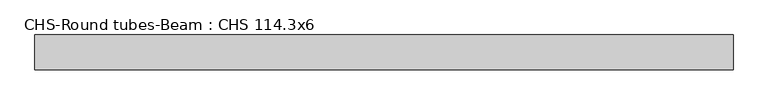
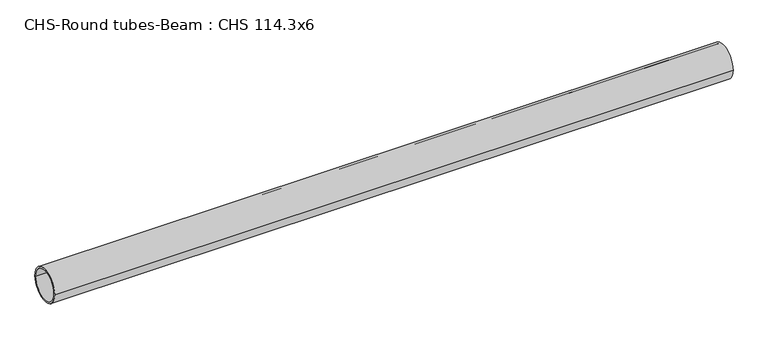
"""IFC4 building model written with IfcOpenShell, lengths in millimetres: beam geometry, CHS-Round tubes-Beam : CHS 114.3x6."""

from ifc_helpers import new_model, si_unit, point, frame, origin, origin_2d, place, context, project, spatial, circle_curve, trimmed, segment, composite_curve, outline, extrude, source, transform, mapped, element, save


def chs_round_tubes_beam_chs_114_3x6_9703ed45(model_context):
    return source(origin(), model_context, "Body", "SweptSolid", [
        extrude(outline(composite_curve([segment(trimmed(circle_curve(origin_2d(), 57.15), [point((57.15, 0.0))], [point((-57.15, 0.0))], False, "CARTESIAN"), True, "CONTINUOUS"), segment(trimmed(circle_curve(origin_2d(), 57.15), [point((-57.15, 0.0))], [point((57.15, 0.0))], False, "CARTESIAN"), True, "CONTINUOUS")], self_intersect=False), holes=[composite_curve([segment(trimmed(circle_curve(origin_2d(), 51.15), [point((51.15, 0.0))], [point((-51.15, 0.0))], True, "CARTESIAN"), True, "CONTINUOUS"), segment(trimmed(circle_curve(origin_2d(), 51.15), [point((-51.15, 0.0))], [point((51.15, 0.0))], True, "CARTESIAN"), True, "CONTINUOUS")], self_intersect=False)]), frame((-1092.4881802, 0.0, 0.0), z_axis=(1.0, 0.0, 0.0), x_axis=(0.0, 1.0, 0.0)), (0.0, 0.0, 1.0), 2285.0967117),
    ])


if __name__ == "__main__":
    model = new_model("IFC4")
    model_context = context("Model", 3, world=origin())
    ifc_project = project(units=[si_unit("LENGTHUNIT", "METRE", prefix="MILLI")], contexts=[model_context])
    site = spatial("IfcSite", under=ifc_project)
    building = spatial("IfcBuilding", under=site)
    placement = place(None, origin())
    chs_round_tubes_beam_chs_114_3x6_shape = chs_round_tubes_beam_chs_114_3x6_9703ed45(model_context)
    element("IfcBeam", 1, ObjectType="CHS-Round tubes-Beam : CHS 114.3x6", at=placement, inside=building, context=model_context, shape_type="MappedRepresentation", body=[
        mapped(chs_round_tubes_beam_chs_114_3x6_shape, transform((0.0, 0.0, 0.0), x_axis=(1.0, 0.0, 0.0), y_axis=(0.0, 1.0, 0.0), z_axis=(0.0, 0.0, 1.0))),
    ])
    save(model, "model.ifc")
